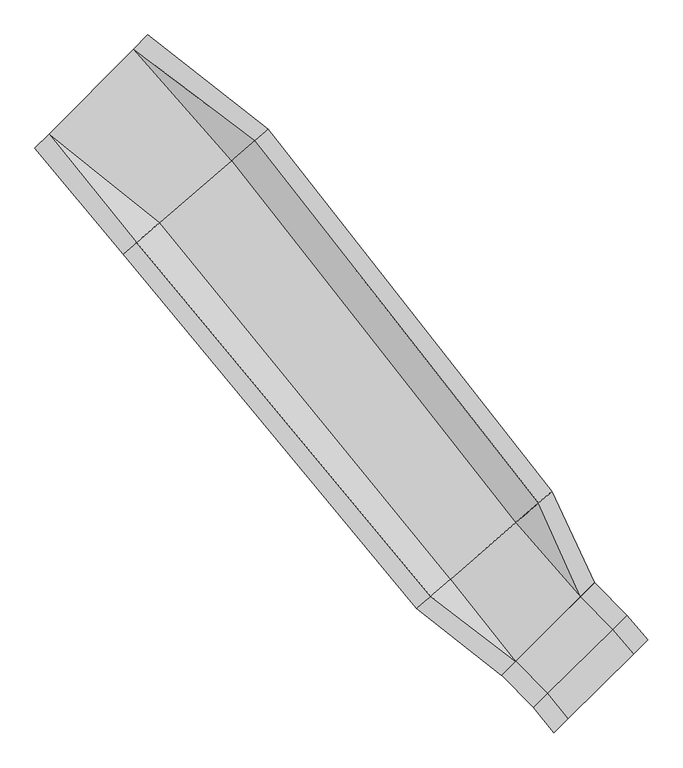
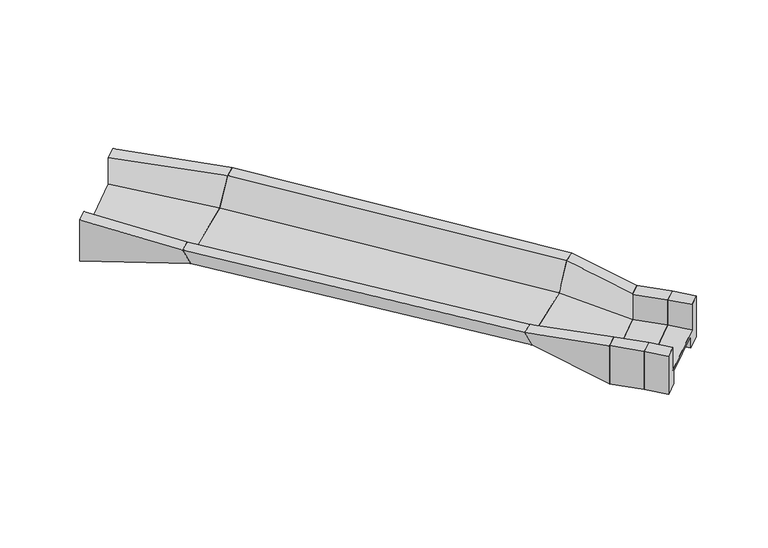
"""IFC4 building model written with IfcOpenShell, lengths in millimetres: geographic element geometry."""

from ifc_helpers import new_model, si_unit, frame, origin, place, context, project, spatial, polyline, outline, extrude, source, transform, mapped, element, save
from ifc_brep_helpers import plane_surface, spline_curve, spline_surface, advanced_brep


def geographic_element_b94822a8(model_context):
    return source(origin(), model_context, "Body", "SolidModel", [
        advanced_brep(
        [(-237472.446959, 83408.4510744, 11144.120139), (-236766.5119565, 84116.464431, 11144.1201394), (-236766.5119558, 84116.4644317, 7896.3224461), (-237684.227459, 83196.0470682, 7896.3224456), (-237684.2274592, 83196.047068, 8846.3224421), (-241495.3292908, 79373.7249128, 8846.3224421), (-241495.3292902, 79373.7249134, 7896.3224424), (-242413.0447937, 78453.3075496, 7896.3224417), (-242413.0447945, 78453.3075488, 11046.3224414), (-241707.1097919, 79161.3209055, 11046.3224419), (-241707.1097914, 79161.3209059, 9096.3224421), (-237472.4469587, 83408.4510747, 9096.3224421), (-231447.3613131, 78819.4813063, 10426.6353604), (-232583.4251726, 77838.858782, 8925.8244812), (-236189.2505729, 74726.3985301, 8925.8244812), (-237325.3144326, 73745.7760057, 10426.6353608), (-238000.6568665, 73162.8369422, 10426.635361), (-236817.8573649, 74183.8005292, 8332.5872404), (-236171.1749914, 74742.0009298, 8332.4759296), (-236041.2232812, 74854.1720662, 8675.8244812), (-232731.4524646, 77711.0852457, 8675.8244812), (-232601.5007543, 77823.2563822, 8332.4759293), (-231954.818381, 78381.4567826, 8332.5872399), (-230772.018879, 79402.42037, 10426.6353603)],
        [
            (0, 1),
            (1, 2),
            (2, 3),
            (3, 4),
            (4, 5),
            (5, 6),
            (6, 7),
            (7, 8),
            (8, 9),
            (9, 10),
            (10, 11),
            (11, 0),
            (12, 13),
            (13, 14),
            (14, 15),
            (15, 16),
            (16, 17),
            (17, 18),
            (18, 19),
            (19, 20),
            (20, 21),
            (21, 22),
            (22, 23),
            (23, 12),
            (23, 1, spline_curve(3, [(-230772.018879, 79402.42037, 10426.6353603), (-232720.231358514, 81058.731631167, 10665.796953474), (-234720.793428205, 82631.045723503, 10904.958546226), (-236766.5119565, 84116.464431, 11144.1201394)], [4, 4], [0.0, 25.049387163295506])),
            (0, 12, spline_curve(3, [(-237472.446959, 83408.4510744, 11144.120139), (-235419.032859849, 81966.044964349, 10904.958545826), (-233408.214796345, 80435.506727741, 10665.796953574), (-231447.3613131, 78819.4813063, 10426.6353604)], [4, 4], [0.0, 25.049387163295506])),
            (22, 2, spline_curve(3, [(-231954.818381, 78381.4567826, 8332.5872399), (-233483.31702075, 80348.608168613, 8187.165642272), (-235088.534593844, 82262.221884718, 8041.744043728), (-236766.5119558, 84116.4644317, 7896.3224461)], [4, 4], [0.0, 24.66797998694031])),
            (21, 3, spline_curve(3, [(-232601.5007543, 77823.2563822, 8332.4759293), (-234228.49579923, 79677.26023443, 8187.091435011), (-235924.344533506, 81469.833906407, 8041.70693989), (-237684.227459, 83196.0470682, 7896.3224456)], [4, 4], [0.0, 24.449163476912105])),
            (20, 4, spline_curve(3, [(-232731.4524646, 77711.0852457, 8675.8244812), (-234312.334427119, 79599.240453521, 8732.657135198), (-235964.747486797, 81429.31200145, 8789.489788102), (-237684.2274592, 83196.047068, 8846.3224421)], [4, 4], [0.0, 24.262863273454684])),
            (19, 5, spline_curve(3, [(-236041.2232812, 74854.1720662, 8675.8244812), (-237809.639678093, 76436.491624995, 8732.65713471), (-239629.785127799, 77944.026311954, 8789.48978859), (-241495.3292908, 79373.7249128, 8846.3224421)], [4, 4], [0.0, 23.692371858413026])),
            (18, 6, spline_curve(3, [(-236171.1749914, 74742.0009298, 8332.4759296), (-237893.478305505, 76358.471843831, 8187.091433539), (-239670.188081062, 77903.504408433, 8041.706938461), (-241495.3292902, 79373.7249134, 7896.3224424)], [4, 4], [0.0, 23.203234577010846])),
            (17, 7, spline_curve(3, [(-236817.8573649, 74183.8005292, 8332.5872404), (-238638.657084742, 75687.123909014, 8187.165640708), (-240505.998020089, 77111.116429527, 8041.744041392), (-242413.0447937, 78453.3075496, 7896.3224417)], [4, 4], [0.0, 23.15900301893808])),
            (16, 8, spline_curve(3, [(-238000.6568665, 73162.8369422, 10426.635361), (-239401.742747424, 74977.000446693, 10633.197721247), (-240873.739187371, 76742.292590363, 10839.760081153), (-242413.0447945, 78453.3075488, 11046.3224414)], [4, 4], [0.0, 22.710081353792532])),
            (15, 9, spline_curve(3, [(-237325.3144326, 73745.7760057, 10426.6353608), (-238713.759309461, 75600.225350018, 10633.197721313), (-240175.499754946, 77407.293348828, 10839.760081387), (-241707.1097919, 79161.3209055, 11046.3224419)], [4, 4], [0.0, 22.82321654932204])),
            (14, 10, spline_curve(3, [(-236189.2505729, 74726.3985301, 8925.8244812), (-237980.825247077, 76282.289892101, 8982.657134856), (-239822.28904729, 77761.543949898, 9039.489788444), (-241707.1097914, 79161.3209059, 9096.3224421)], [4, 4], [0.0, 22.950651386086406])),
            (13, 11, spline_curve(3, [(-232583.4251726, 77838.858782, 8925.8244812), (-234141.148858047, 79753.442185491, 8982.65713471), (-235772.243567354, 81611.794364047, 9039.48978859), (-237472.4469587, 83408.4510747, 9096.3224421)], [4, 4], [0.0, 23.692371858478822])),
        ],
        [
            plane_surface(frame((-239589.7783751, 81284.8859903, 9320.9553922), z_axis=(-0.7081453881455659, 0.7060666464634666, 0.0), x_axis=(0.7060666464634666, 0.7081453881455659, 4.657500235469296e-10))),
            plane_surface(frame((-234386.3378728, 76282.628656, 9186.6638089), z_axis=(0.6534200335642938, -0.756995548029734, 0.0), x_axis=(0.756995548029734, 0.6534200335642938, -1.3048997882092535e-10))),
            spline_surface(3, 3, [[(-231447.3613131, 78819.4813063, 10426.6353604), (-233408.214796677, 80435.506728082, 10665.796953269), (-235419.032860049, 81966.044964466, 10904.958546131), (-237472.446959, 83408.4510744, 11144.120139)], [(-231222.247168401, 79013.794327516, 10426.635360361), (-233178.886983979, 80643.248362376, 10665.796953295), (-235186.286382679, 82187.711884145, 10904.958546221), (-237237.135291502, 83644.4555266, 11144.120139155)], [(-230997.133023699, 79208.107348784, 10426.635360339), (-232949.559171278, 80850.989996721, 10665.796953338), (-234953.539905303, 82409.378803823, 10904.958546246), (-237001.823623998, 83880.4599788, 11144.120139245)], [(-230772.018879, 79402.42037, 10426.6353603), (-232720.231358581, 81058.731631014, 10665.796953363), (-234720.793427934, 82631.045723503, 10904.958546337), (-236766.5119565, 84116.464431, 11144.1201394)]], [4, 4], [4, 4], [0.0, 3.103590350371625], [0.0, 25.049387163295506]),
            spline_surface(3, 3, [[(-230772.018879, 79402.42037, 10426.6353603), (-232720.231358581, 81058.731631014, 10665.796953363), (-234720.793427934, 82631.045723503, 10904.958546337), (-236766.5119565, 84116.464431, 11144.1201394)], [(-231166.285379687, 79062.099174211, 9728.619320195), (-232974.593246041, 80822.023810362, 9839.586516254), (-234843.373816644, 82508.104443972, 9950.553712222), (-236766.511956268, 84116.464431233, 10061.52090828)], [(-231560.551880313, 78721.777978389, 9030.603280005), (-233228.955133441, 80585.315989675, 9013.376079058), (-234965.954205351, 82385.163164441, 8996.148878166), (-236766.511956032, 84116.464431467, 8978.92167722)], [(-231954.818381, 78381.4567826, 8332.5872399), (-233483.317020901, 80348.608169022, 8187.165641949), (-235088.534594061, 82262.221884911, 8041.744044051), (-236766.5119558, 84116.4644317, 7896.3224461)]], [4, 4], [4, 4], [0.0, 9.130038308119522], [0.0, 24.66797998694031]),
            spline_surface(3, 3, [[(-231954.818381, 78381.4567826, 8332.5872399), (-233483.317020901, 80348.608169022, 8187.165641949), (-235088.534594061, 82262.221884911, 8041.744044051), (-236766.5119558, 84116.4644317, 7896.3224461)], [(-232170.379172074, 78195.389982465, 8332.550136338), (-233731.70994707, 80124.825524281, 8187.140906183), (-235367.137907077, 81998.092558821, 8041.731676081), (-237072.417123512, 83809.658643875, 7896.322445925)], [(-232385.939963226, 78009.323182335, 8332.513032862), (-233980.102873319, 79901.042879545, 8187.116170501), (-235645.741220156, 81733.963232707, 8041.719308135), (-237378.322291288, 83502.852856025, 7896.322445775)], [(-232601.5007543, 77823.2563822, 8332.4759293), (-234228.495799489, 79677.260234804, 8187.091434736), (-235924.344533171, 81469.833906618, 8041.706940164), (-237684.227459, 83196.0470682, 7896.3224456)]], [4, 4], [4, 4], [0.0, 3.533517795671654], [0.0, 24.449163476912105]),
            spline_surface(3, 3, [[(-232601.5007543, 77823.2563822, 8332.4759293), (-234228.495799489, 79677.260234804, 8187.091434736), (-235924.344533171, 81469.833906618, 8041.706940164), (-237684.227459, 83196.0470682, 7896.3224456)], [(-232644.817991079, 77785.866003374, 8446.925446616), (-234256.44200872, 79651.253641017, 8368.946668122), (-235937.81218447, 81456.326605003, 8290.96788962), (-237684.227459076, 83196.047068124, 8212.989111126)], [(-232688.135227821, 77748.475624526, 8561.374963884), (-234284.388217914, 79625.247047207, 8550.801901459), (-235951.27983574, 81442.819303418, 8540.228838999), (-237684.227459124, 83196.047068076, 8529.655776574)], [(-232731.4524646, 77711.0852457, 8675.8244812), (-234312.334427145, 79599.24045342, 8732.657134845), (-235964.747487038, 81429.312001804, 8789.489788455), (-237684.2274592, 83196.047068, 8846.3224421)]], [4, 4], [4, 4], [0.0, 2.140242190773194], [0.0, 24.262863273454684]),
            spline_surface(3, 3, [[(-232731.4524646, 77711.0852457, 8675.8244812), (-234312.334427145, 79599.24045342, 8732.657134845), (-235964.747487038, 81429.312001804, 8789.489788455), (-237684.2274592, 83196.047068, 8846.3224421)], [(-233834.709403452, 76758.780852509, 8675.8244812), (-235478.102844199, 78544.990843811, 8732.657134845), (-237186.426700586, 80267.550105334, 8789.489788455), (-238954.594736391, 81921.939682954, 8846.3224421)], [(-234937.966342348, 75806.476459391, 8675.8244812), (-236643.871261296, 77490.741234276, 8732.657134845), (-238408.105914161, 79105.788208802, 8789.489788455), (-240224.962013609, 80647.832297846, 8846.3224421)], [(-236041.2232812, 74854.1720662, 8675.8244812), (-237809.63967835, 76436.491624666, 8732.657134845), (-239629.78512771, 77944.026312332, 8789.489788455), (-241495.3292908, 79373.7249128, 8846.3224421)]], [4, 4], [4, 4], [0.0, 16.026733889829917], [0.0, 23.692371858413026]),
            spline_surface(3, 3, [[(-236041.2232812, 74854.1720662, 8675.8244812), (-237809.63967835, 76436.491624666, 8732.657134845), (-239629.78512771, 77944.026312331, 8789.489788455), (-241495.3292908, 79373.7249128, 8846.3224421)], [(-236084.540517939, 74816.781687409, 8561.374964), (-237837.585887462, 76410.485030984, 8550.801901181), (-239643.252778816, 77930.519010897, 8540.228838326), (-241495.329290616, 79373.724912984, 8529.655775507)], [(-236127.857754661, 74779.391308591, 8446.9254468), (-237865.532096557, 76384.478437275, 8368.946667516), (-239656.720429874, 77917.011709509, 8290.967888277), (-241495.329290384, 79373.724913216, 8212.989108993)], [(-236171.1749914, 74742.0009298, 8332.4759296), (-237893.47830567, 76358.471843592, 8187.091433852), (-239670.18808098, 77903.504408075, 8041.706938148), (-241495.3292902, 79373.7249134, 7896.3224424)]], [4, 4], [4, 4], [0.0, 2.140242195138644], [0.0, 23.203234577010846]),
            spline_surface(3, 3, [[(-236171.1749914, 74742.0009298, 8332.4759296), (-237893.47830567, 76358.471843592, 8187.091433852), (-239670.18808098, 77903.504408075, 8041.706938148), (-241495.3292902, 79373.7249134, 7896.3224424)], [(-236386.735782556, 74555.934129593, 8332.5130332), (-238141.871231934, 76134.689198765, 8187.116169508), (-239948.791394103, 77639.375081884, 8041.71930586), (-241801.234458029, 79066.919125457, 7896.322442167)], [(-236602.296573744, 74369.867329407, 8332.5501368), (-238390.26415823, 75910.906553958, 8187.140905163), (-240227.394707237, 77375.245755721, 8041.73167357), (-242107.139625871, 78760.113337543, 7896.322441933)], [(-236817.8573649, 74183.8005292, 8332.5872404), (-238638.657084495, 75687.123909131, 8187.165640819), (-240505.998020359, 77111.116429531, 8041.744041281), (-242413.0447937, 78453.3075496, 7896.3224417)]], [4, 4], [4, 4], [0.0, 3.533517797026311], [0.0, 23.15900301893808]),
            spline_surface(3, 3, [[(-236817.8573649, 74183.8005292, 8332.5872404), (-238638.657084495, 75687.123909131, 8187.165640819), (-240505.998020359, 77111.116429531, 8041.744041281), (-242413.0447937, 78453.3075496, 7896.3224417)], [(-237212.123865443, 73843.479333535, 9030.603280582), (-238893.018972042, 75450.41608841, 9002.509667577), (-240628.578409372, 76988.175149721, 8974.416054616), (-242413.04479397, 78453.307549329, 8946.322441611)], [(-237606.390365957, 73503.158137865, 9728.619320818), (-239147.380859559, 75213.708267682, 9817.853694389), (-240751.158798375, 76865.233869924, 9907.088067918), (-242413.04479423, 78453.307549071, 9996.322441489)], [(-238000.6568665, 73162.8369422, 10426.635361), (-239401.742747106, 74977.000446961, 10633.197721147), (-240873.739187388, 76742.292590114, 10839.760081253), (-242413.0447945, 78453.3075488, 11046.3224414)]], [4, 4], [4, 4], [0.0, 8.976173737504185], [0.0, 22.710081353792532]),
            spline_surface(3, 3, [[(-238000.6568665, 73162.8369422, 10426.635361), (-239401.742747106, 74977.000446961, 10633.197721147), (-240873.739187388, 76742.292590114, 10839.760081253), (-242413.0447945, 78453.3075488, 11046.3224414)], [(-237775.542721862, 73357.149963364, 10426.635360961), (-239172.414934434, 75184.74208123, 10633.197721173), (-240640.992710011, 76963.959509799, 10839.760081343), (-242177.733126964, 78689.312001038, 11046.322441555)], [(-237550.428577238, 73551.462984536, 10426.635360839), (-238943.087121777, 75392.483715507, 10633.197721115), (-240408.246232642, 77185.626429469, 10839.760081468), (-241942.421459436, 78925.316453262, 11046.322441745)], [(-237325.3144326, 73745.7760057, 10426.6353608), (-238713.759309105, 75600.225349776, 10633.197721141), (-240175.499755265, 77407.293349153, 10839.760081559), (-241707.1097919, 79161.3209055, 11046.3224419)]], [4, 4], [4, 4], [0.0, 3.1035903502393203], [0.0, 22.82321654932204]),
            spline_surface(3, 3, [[(-237325.3144326, 73745.7760057, 10426.6353608), (-238713.759309105, 75600.225349776, 10633.197721141), (-240175.499755265, 77407.293349153, 10839.760081559), (-241707.1097919, 79161.3209055, 11046.3224419)], [(-236946.626479371, 74072.650180526, 9926.365067589), (-238469.447955167, 75827.580197337, 10083.017525698), (-240057.762852614, 77525.376882824, 10239.669983884), (-241707.109791745, 79161.320905655, 10396.322441993)], [(-236567.938526129, 74399.524355274, 9426.094774411), (-238225.136601217, 76054.93504482, 9532.837330288), (-239940.025949928, 77643.460416428, 9639.57988613), (-241707.109791555, 79161.320905745, 9746.322442007)], [(-236189.2505729, 74726.3985301, 8925.8244812), (-237980.825247279, 76282.289892381, 8982.657134845), (-239822.289047278, 77761.543950098, 9039.489788455), (-241707.1097914, 79161.3209059, 9096.3224421)]], [4, 4], [4, 4], [0.0, 6.172941237807495], [0.0, 22.950651386086406]),
            spline_surface(3, 3, [[(-236189.2505729, 74726.3985301, 8925.8244812), (-237980.825247279, 76282.289892381, 8982.657134845), (-239822.289047278, 77761.543950098, 9039.489788455), (-241707.1097914, 79161.3209059, 9096.3224421)], [(-234987.308772806, 75763.885280721, 8925.8244812), (-236700.93311755, 77439.340656836, 8982.657134845), (-238472.273887305, 79044.960754727, 9039.489788455), (-240295.555513809, 80577.030962167, 9096.3224421)], [(-233785.366972694, 76801.372031379, 8925.8244812), (-235421.040987803, 78596.391421327, 8982.657134845), (-237122.258727405, 80328.377559354, 9039.489788455), (-238884.001236291, 81992.741018433, 9096.3224421)], [(-232583.4251726, 77838.858782, 8925.8244812), (-234141.148858074, 79753.442185782, 8982.657134845), (-235772.243567433, 81611.794363983, 9039.489788455), (-237472.4469587, 83408.4510747, 9096.3224421)]], [4, 4], [4, 4], [0.0, 17.652356641062795], [0.0, 23.692371858478822]),
            spline_surface(3, 3, [[(-232583.4251726, 77838.858782, 8925.8244812), (-234141.148858074, 79753.442185782, 8982.657134845), (-235772.243567433, 81611.794363983, 9039.489788455), (-237472.4469587, 83408.4510747, 9096.3224421)], [(-232204.73721943, 78165.732956776, 9426.094774255), (-233896.837504271, 79980.797033224, 9543.703740975), (-235654.506664989, 81729.87789746, 9661.31270766), (-237472.446958817, 83408.451074582, 9778.92167438)], [(-231826.04926627, 78492.607131524, 9926.365067345), (-233652.52615048, 80208.15188064, 10104.750347139), (-235536.769762493, 81847.961430989, 10283.135626926), (-237472.446958883, 83408.451074518, 10461.52090672)], [(-231447.3613131, 78819.4813063, 10426.6353604), (-233408.214796677, 80435.506728082, 10665.796953269), (-235419.032860049, 81966.044964466, 10904.958546131), (-237472.446959, 83408.4510744, 11144.120139)]], [4, 4], [4, 4], [0.0, 6.32038373925925], [0.0, 24.50743243333784]),
        ],
        [
            (0, [[1, 2, 3, 4, 5, 6, 7, 8, 9, 10, 11, 12]]),
            (1, [[13, 14, 15, 16, 17, 18, 19, 20, 21, 22, 23, 24]]),
            (2, [[-24, 25, -1, 26]]),
            (3, [[-23, 27, -2, -25]]),
            (4, [[-22, 28, -3, -27]]),
            (5, [[-21, 29, -4, -28]]),
            (6, [[-20, 30, -5, -29]]),
            (7, [[-19, 31, -6, -30]]),
            (8, [[-18, 32, -7, -31]]),
            (9, [[-17, 33, -8, -32]]),
            (10, [[-16, 34, -9, -33]]),
            (11, [[-15, 35, -10, -34]]),
            (12, [[-14, 36, -11, -35]]),
            (13, [[-13, -26, -12, -36]]),
        ],
    ),
        advanced_brep(
        [(-231954.7269577, 78381.535697, 8332.5872399), (-232601.4328893, 77823.3149616, 8332.4759293), (-232731.3893337, 77711.1397388, 8675.8244812), (-236041.2807236, 74854.1224832, 8675.8244812), (-236171.2371679, 74741.9472605, 8332.4759296), (-236817.9430997, 74183.7265249, 8332.5872404), (-238000.7856902, 73162.7257447, 10426.635361), (-237325.4186539, 73745.6860444, 10426.6353608), (-236189.3134079, 74726.3442925, 8925.8244812), (-232583.3566491, 77838.9179298, 8925.8244812), (-231447.2514033, 78819.5761777, 10426.6353604), (-230771.8843668, 79402.5364776, 10426.6353603), (-217751.2386698, 60289.5846253, 7787.9409539), (-216568.3940919, 61310.5871211, 9881.9890739), (-217243.7622627, 60727.6258422, 9881.9890742), (-218379.8694176, 59746.9659462, 8381.1781946), (-221657.0312508, 56918.2000432, 8381.1781946), (-222642.7400387, 56067.3603375, 9683.311068), (-223356.2812647, 55451.4490115, 9683.3110681), (-222285.6619995, 56375.5813634, 7787.9409548), (-221638.9549811, 56933.8030369, 7787.8296439), (-221508.998319, 57045.9784476, 8131.1781946), (-218527.9023504, 59619.187541, 8131.1781946), (-218397.945688, 59731.362952, 7787.8296431)],
        [
            (0, 1),
            (1, 2),
            (2, 3),
            (3, 4),
            (4, 5),
            (5, 6),
            (6, 7),
            (7, 8),
            (8, 9),
            (9, 10),
            (10, 11),
            (11, 0),
            (12, 13),
            (13, 14),
            (14, 15),
            (15, 16),
            (16, 17),
            (17, 18),
            (18, 19),
            (19, 20),
            (20, 21),
            (21, 22),
            (22, 23),
            (23, 12),
            (23, 1),
            (0, 12),
            (22, 2),
            (21, 3),
            (20, 4),
            (19, 5),
            (18, 6),
            (17, 7),
            (16, 8),
            (15, 9),
            (14, 10),
            (13, 11),
        ],
        [
            plane_surface(frame((-234386.3350286, 76282.6311111, 9186.6638089), z_axis=(-0.6534200335642995, 0.7569955480297292, 0.0), x_axis=(0.5352762357764985, 0.4620373486443748, -0.707107375064508))),
            plane_surface(frame((-219996.5650279, 58351.4738557, 8608.9045215), z_axis=(0.6534200335643016, -0.7569955480297273, 0.0), x_axis=(-0.7569955416041901, -0.653420028017935, -0.00013029359157178027))),
            spline_surface(1, 1, [[(-217751.2386698, 60289.5846253, 7787.9409539), (-231954.7269577, 78381.535697, 8332.5872399)], [(-218397.945688, 59731.362952, 7787.8296431), (-232601.4328893, 77823.3149616, 8332.4759293)]], [2, 2], [2, 2], [0.0, 1.0], [0.0, 1.0]),
            spline_surface(1, 1, [[(-218397.945688, 59731.362952, 7787.8296431), (-232601.4328893, 77823.3149616, 8332.4759293)], [(-218527.9023504, 59619.187541, 8131.1781946), (-232731.3893337, 77711.1397388, 8675.8244812)]], [2, 2], [2, 2], [0.0, 1.0], [0.0, 1.0]),
            plane_surface(frame((-220018.4503347, 58332.5829943, 8131.1781946), z_axis=(-0.015484728300719298, 0.01793925772699949, -0.9997191636763083), x_axis=(-0.7569955480297336, -0.6534200335642942, 0.0))),
            spline_surface(1, 1, [[(-221508.998319, 57045.9784476, 8131.1781946), (-236041.2807236, 74854.1224832, 8675.8244812)], [(-221638.9549811, 56933.8030369, 7787.8296439), (-236171.2371679, 74741.9472605, 8332.4759296)]], [2, 2], [2, 2], [0.0, 1.0], [0.0, 1.0]),
            spline_surface(1, 1, [[(-221638.9549811, 56933.8030369, 7787.8296439), (-236171.2371679, 74741.9472605, 8332.4759296)], [(-222285.6619995, 56375.5813634, 7787.9409548), (-236817.9430997, 74183.7265249, 8332.5872404)]], [2, 2], [2, 2], [0.0, 1.0], [0.0, 1.0]),
            spline_surface(1, 1, [[(-222285.6619995, 56375.5813634, 7787.9409548), (-236817.9430997, 74183.7265249, 8332.5872404)], [(-223356.2812647, 55451.4490115, 9683.3110681), (-238000.7856902, 73162.7257447, 10426.635361)]], [2, 2], [2, 2], [0.0, 1.0], [0.0, 1.0]),
            spline_surface(1, 1, [[(-223356.2812647, 55451.4490115, 9683.3110681), (-238000.7856902, 73162.7257447, 10426.635361)], [(-222642.7400387, 56067.3603375, 9683.311068), (-237325.4186539, 73745.6860444, 10426.6353608)]], [2, 2], [2, 2], [0.0, 1.0], [0.0, 1.0]),
            spline_surface(1, 1, [[(-222642.7400387, 56067.3603375, 9683.311068), (-237325.4186539, 73745.6860444, 10426.6353608)], [(-221657.0312508, 56918.2000432, 8381.1781946), (-236189.3134079, 74726.3442925, 8925.8244812)]], [2, 2], [2, 2], [0.0, 1.0], [0.0, 1.0]),
            plane_surface(frame((-220018.4503342, 58332.5829947, 8381.1781946), z_axis=(0.015484728300719354, -0.017939257726999478, 0.9997191636763083), x_axis=(0.7569955480297322, 0.6534200335642958, 0.0))),
            spline_surface(1, 1, [[(-218379.8694176, 59746.9659462, 8381.1781946), (-232583.3566491, 77838.9179298, 8925.8244812)], [(-217243.7622627, 60727.6258422, 9881.9890742), (-231447.2514033, 78819.5761777, 10426.6353604)]], [2, 2], [2, 2], [0.0, 1.0], [0.0, 1.0]),
            spline_surface(1, 1, [[(-217243.7622627, 60727.6258422, 9881.9890742), (-231447.2514033, 78819.5761777, 10426.6353604)], [(-216568.3940919, 61310.5871211, 9881.9890739), (-230771.8843668, 79402.5364776, 10426.6353603)]], [2, 2], [2, 2], [0.0, 1.0], [0.0, 1.0]),
            spline_surface(1, 1, [[(-216568.3940919, 61310.5871211, 9881.9890739), (-230771.8843668, 79402.5364776, 10426.6353603)], [(-217751.2386698, 60289.5846253, 7787.9409539), (-231954.7269577, 78381.535697, 8332.5872399)]], [2, 2], [2, 2], [0.0, 1.0], [0.0, 1.0]),
        ],
        [
            (0, [[1, 2, 3, 4, 5, 6, 7, 8, 9, 10, 11, 12]]),
            (1, [[13, 14, 15, 16, 17, 18, 19, 20, 21, 22, 23, 24]]),
            (2, [[-24, 25, -1, 26]]),
            (3, [[-23, 27, -2, -25]]),
            (4, [[-22, 28, -3, -27]]),
            (5, [[-21, 29, -4, -28]]),
            (6, [[-20, 30, -5, -29]]),
            (7, [[-19, 31, -6, -30]]),
            (8, [[-18, 32, -7, -31]]),
            (9, [[-17, 33, -8, -32]]),
            (10, [[-16, 34, -9, -33]]),
            (11, [[-15, 35, -10, -34]]),
            (12, [[-14, 36, -11, -35]]),
            (13, [[-13, -26, -12, -36]]),
        ],
    ),
        advanced_brep(
        [(-218390.7532065, 52820.7747482, 9195.1869994), (-219094.2468284, 52117.2811263, 9195.1870002), (-219094.2468302, 52117.2811245, 6240.8715334), (-218179.7051214, 53031.8228332, 6240.8715326), (-218179.7051207, 53031.8228339, 7190.8715305), (-215365.7306326, 55845.797322, 7190.8715305), (-215365.7306331, 55845.7973215, 6240.8715303), (-214451.1889243, 56760.3390303, 6240.8715295), (-214451.1889226, 56760.3390321, 9388.6692227), (-215154.6825448, 56056.8454099, 9388.6692236), (-215154.6825457, 56056.845409, 7440.8715305), (-218390.7532074, 52820.7747473, 7440.8715305), (-222642.7400387, 56067.3603375, 9683.311068), (-221657.0312508, 56918.2000432, 8381.1781946), (-218379.8694176, 59746.9659462, 8381.1781946), (-217243.7622627, 60727.6258422, 9881.9890742), (-216568.3940919, 61310.5871211, 9881.9890739), (-217751.2386698, 60289.5846253, 7787.9409539), (-218397.945688, 59731.362952, 7787.8296431), (-218527.9023504, 59619.187541, 8131.1781946), (-221508.998319, 57045.9784476, 8131.1781946), (-221638.9549811, 56933.8030369, 7787.8296439), (-222285.6619995, 56375.5813634, 7787.9409548), (-223356.2812647, 55451.4490115, 9683.3110681)],
        [
            (0, 1),
            (1, 2),
            (2, 3),
            (3, 4),
            (4, 5),
            (5, 6),
            (6, 7),
            (7, 8),
            (8, 9),
            (9, 10),
            (10, 11),
            (11, 0),
            (12, 13),
            (13, 14),
            (14, 15),
            (15, 16),
            (16, 17),
            (17, 18),
            (18, 19),
            (19, 20),
            (20, 21),
            (21, 22),
            (22, 23),
            (23, 12),
            (23, 1, spline_curve(3, [(-223356.2812647, 55451.4490115, 9683.3110681), (-221970.067838612, 54280.67997485, 9520.603045545), (-220547.744139607, 53168.641933706, 9357.895022755), (-219094.2468284, 52117.2811263, 9195.1870002)], [4, 4], [0.0, 17.72836514772439])),
            (0, 12, spline_curve(3, [(-218390.7532065, 52820.7747482, 9195.1869994), (-219839.386536853, 53842.619998769, 9357.895022546), (-221258.380906237, 54925.416539968, 9520.603044854), (-222642.7400387, 56067.3603375, 9683.311068)], [4, 4], [0.0, 17.72836514772439])),
            (22, 2, spline_curve(3, [(-222285.6619995, 56375.5813634, 7787.9409548), (-221278.902707712, 54922.928641308, 7272.251147398), (-220214.3902899, 53501.995783135, 6756.561340802), (-219094.2468302, 52117.2811245, 6240.8715334)], [4, 4], [0.0, 17.77309784830311])),
            (21, 3, spline_curve(3, [(-221638.9549811, 56933.8030369, 7787.8296439), (-220535.04952789, 55592.580473726, 7272.176940388), (-219380.986895626, 54290.705778715, 6756.524236112), (-218179.7051214, 53031.8228332, 6240.8715326)], [4, 4], [0.0, 18.00269400137438])),
            (20, 4, spline_curve(3, [(-221508.998319, 57045.9784476, 8131.1781946), (-220451.152743707, 55670.539554136, 7817.742639991), (-219340.522880213, 54331.169793563, 7504.307085109), (-218179.7051207, 53031.8228339, 7190.8715305)], [4, 4], [0.0, 17.58992317437844])),
            (19, 5, spline_curve(3, [(-218527.9023504, 59619.187541, 8131.1781946), (-217522.461479038, 58325.629883342, 7817.7426398), (-216467.570522402, 57066.604002494, 7504.3070853), (-215365.7306326, 55845.797322, 7190.8715305)], [4, 4], [0.0, 16.917991507124952])),
            (18, 6, spline_curve(3, [(-218397.945688, 59731.362952, 7787.8296431), (-217438.564695031, 58403.588963359, 7272.176938699), (-216427.106507592, 57107.068017302, 6756.524234701), (-215365.7306331, 55845.7973215, 6240.8715303)], [4, 4], [0.0, 16.669000783665297])),
            (17, 7, spline_curve(3, [(-217751.2386698, 60289.5846253, 7787.9409539), (-216694.711515342, 59073.240795927, 7272.251145921), (-215593.703113432, 57895.778013031, 6756.561337479), (-214451.1889243, 56760.3390303, 6240.8715295)], [4, 4], [0.0, 16.784231303014735])),
            (16, 8, spline_curve(3, [(-216568.3940919, 61310.5871211, 9881.9890739), (-215931.096516491, 59782.811769231, 9717.549123473), (-215225.406176559, 58264.07494967, 9553.109173127), (-214451.1889226, 56760.3390321, 9388.6692227)], [4, 4], [0.0, 16.307711713327535])),
            (15, 9, spline_curve(3, [(-217243.7622627, 60727.6258422, 9881.9890742), (-216618.139875801, 59160.974655442, 9717.549123991), (-215921.878008582, 57601.982655225, 9553.109173809), (-215154.6825448, 56056.8454099, 9388.6692236)], [4, 4], [0.0, 16.708336046033878])),
            (14, 10, spline_curve(3, [(-218379.8694176, 59746.9659462, 8381.1781946), (-217351.582358157, 58479.440771223, 8067.742639832), (-216275.622525807, 57248.238137775, 7754.307085268), (-215154.6825457, 56056.845409, 7440.8715305)], [4, 4], [0.0, 16.42407662833557])),
            (13, 11, spline_curve(3, [(-221657.0312508, 56918.2000432, 8381.1781946), (-220622.031864139, 55516.728666846, 8067.7426398), (-219532.4708762, 54149.53565944, 7754.3070853), (-218390.7532074, 52820.7747473, 7440.8715305)], [4, 4], [0.0, 16.917991507099373])),
        ],
        [
            plane_surface(frame((-216772.7178765, 54438.8100782, 7616.2237245), z_axis=(0.70710678118654, -0.7071067811865551, 0.0), x_axis=(-4.830934054343929e-10, -4.83097852989221e-10, -1.0))),
            plane_surface(frame((-219996.5650279, 58351.4738557, 8608.9045215), z_axis=(-0.6534200335636403, 0.7569955480302981, 0.0), x_axis=(-0.7569955480302981, -0.6534200335636403, 1.852576204431293e-10))),
            spline_surface(3, 3, [[(-222642.7400387, 56067.3603375, 9683.311068), (-221258.380906102, 54925.416539756, 9520.603045135), (-219839.38653694, 53842.619998492, 9357.895022265), (-218390.7532065, 52820.7747482, 9195.1869994)], [(-222880.587114019, 55862.056562144, 9683.311068058), (-221495.609883625, 54710.504351398, 9520.603045265), (-220075.505737736, 53617.96064347, 9357.895022465), (-218625.251080467, 52586.276874233, 9195.186999672)], [(-223118.434189381, 55656.752786856, 9683.311068042), (-221732.838861191, 54495.592163108, 9520.603045319), (-220311.624938532, 53393.301288447, 9357.895022651), (-218859.748954433, 52351.779000267, 9195.186999928)], [(-223356.2812647, 55451.4490115, 9683.3110681), (-221970.067838714, 54280.67997475, 9520.603045449), (-220547.744139329, 53168.641933424, 9357.895022851), (-219094.2468284, 52117.2811263, 9195.1870002)]], [4, 4], [4, 4], [0.0, 3.178291348742428], [0.0, 17.72836514772439]),
            spline_surface(3, 3, [[(-223356.2812647, 55451.4490115, 9683.3110681), (-221970.067838714, 54280.67997475, 9520.603045449), (-220547.744139329, 53168.641933424, 9357.895022851), (-219094.2468284, 52117.2811263, 9195.1870002)], [(-222999.408176308, 55759.493128803, 9051.521030329), (-221739.679461765, 54494.762863639, 8771.152412851), (-220436.626189542, 53279.75988324, 8490.783795428), (-219094.246828999, 52117.281125701, 8210.415177951)], [(-222642.535087892, 56067.537246097, 8419.730992571), (-221509.291084792, 54708.845752521, 8021.701780268), (-220325.508239757, 53390.877833054, 7623.672567953), (-219094.246829601, 52117.281125099, 7225.643355649)], [(-222285.6619995, 56375.5813634, 7787.9409548), (-221278.902707842, 54922.92864141, 7272.251147671), (-220214.390289971, 53501.99578287, 6756.561340529), (-219094.2468302, 52117.2811245, 6240.8715334)]], [4, 4], [4, 4], [0.0, 8.286913222530824], [0.0, 17.77309784830311]),
            spline_surface(3, 3, [[(-222285.6619995, 56375.5813634, 7787.9409548), (-221278.902707842, 54922.92864141, 7272.251147671), (-220214.390289971, 53501.99578287, 6756.561340529), (-219094.2468302, 52117.2811245, 6240.8715334)], [(-222070.092993379, 56561.655254563, 7787.903851161), (-221030.951647938, 55146.145918871, 7272.226411814), (-219936.589158522, 53764.899114809, 6756.548972455), (-218789.399593954, 52422.128360746, 6240.871533109)], [(-221854.523987221, 56747.729145737, 7787.866747539), (-220783.000587997, 55369.363196345, 7272.201675975), (-219658.788027012, 54027.802446709, 6756.536604455), (-218484.552357646, 52726.975596954, 6240.871532891)], [(-221638.9549811, 56933.8030369, 7787.8296439), (-220535.049528093, 55592.580473806, 7272.176940119), (-219380.986895563, 54290.705778648, 6756.524236381), (-218179.7051214, 53031.8228332, 6240.8715326)]], [4, 4], [4, 4], [0.0, 3.5230719942059565], [0.0, 18.00269400137438]),
            spline_surface(3, 3, [[(-221638.9549811, 56933.8030369, 7787.8296439), (-220535.049528093, 55592.580473806, 7272.176940119), (-219380.986895563, 54290.705778648, 6756.524236381), (-218179.7051214, 53031.8228332, 6240.8715326)], [(-221595.636093735, 56971.194840471, 7902.279160809), (-220507.08393328, 55618.566833902, 7454.032173382), (-219367.498890494, 54304.193783706, 7005.785185999), (-218179.705121173, 53031.822833427, 6557.538198572)], [(-221552.317206365, 57008.586644029, 8016.728677691), (-220479.118338463, 55644.553193986, 7635.887406619), (-219354.010885408, 54317.681788781, 7255.0461356), (-218179.705120927, 53031.822833673, 6874.204864528)], [(-221508.998319, 57045.9784476, 8131.1781946), (-220451.15274365, 55670.539554082, 7817.742639882), (-219340.522880339, 54331.169793839, 7504.307085218), (-218179.7051207, 53031.8228339, 7190.8715305)]], [4, 4], [4, 4], [0.0, 2.1402436032501564], [0.0, 17.58992317437844]),
            spline_surface(3, 3, [[(-221508.998319, 57045.9784476, 8131.1781946), (-220451.15274365, 55670.539554082, 7817.742639882), (-219340.522880339, 54331.169793839, 7504.307085218), (-218179.7051207, 53031.8228339, 7190.8715305)], [(-220515.299662778, 57903.714812088, 8131.1781946), (-219474.922322178, 56555.569663901, 7817.742639882), (-218382.872094282, 55242.981196794, 7504.307085218), (-217241.713624671, 53969.814329929, 7190.8715305)], [(-219521.601006622, 58761.451176512, 8131.1781946), (-218498.691900773, 57440.599773657, 7817.742639882), (-217425.221308214, 56154.792599761, 7504.307085218), (-216303.722128629, 54907.805825971, 7190.8715305)], [(-218527.9023504, 59619.187541, 8131.1781946), (-217522.4614793, 58325.629883477, 7817.742639882), (-216467.570522157, 57066.604002717, 7504.307085218), (-215365.7306326, 55845.797322, 7190.8715305)]], [4, 4], [4, 4], [0.0, 12.98822676945067], [0.0, 16.917991507124952]),
            spline_surface(3, 3, [[(-218527.9023504, 59619.187541, 8131.1781946), (-217522.4614793, 58325.629883477, 7817.742639882), (-216467.570522157, 57066.604002717, 7504.307085218), (-215365.7306326, 55845.797322, 7190.8715305)], [(-218484.583462947, 59656.579344646, 8016.72867742), (-217494.495884567, 58351.616243508, 7635.887406192), (-216454.082517325, 57080.092007556, 7255.046135018), (-215365.730632754, 55845.797321846, 6874.204863791)], [(-218441.264575453, 59693.971148354, 7902.27916028), (-217466.530289792, 58377.602603599, 7454.032172543), (-216440.594512529, 57093.580012359, 7005.785184746), (-215365.730632946, 55845.797321654, 6557.538197009)], [(-218397.945688, 59731.362952, 7787.8296431), (-217438.564695059, 58403.58896363, 7272.176938853), (-216427.106507698, 57107.068017198, 6756.524234547), (-215365.7306331, 55845.7973215, 6240.8715303)]], [4, 4], [4, 4], [0.0, 2.14024360789699], [0.0, 16.669000783665297]),
            spline_surface(3, 3, [[(-218397.945688, 59731.362952, 7787.8296431), (-217438.564695059, 58403.58896363, 7272.176938853), (-216427.106507698, 57107.068017198, 6756.524234547), (-215365.7306331, 55845.7973215, 6240.8715303)], [(-218182.376681943, 59917.436843108, 7787.8667467), (-217190.613635189, 58626.806241059, 7272.20167449), (-216149.305376255, 57369.97134913, 6756.536602219), (-215060.883396834, 56150.644557766, 6240.871530009)], [(-217966.807675857, 60103.510734192, 7787.9038503), (-216942.662575291, 58850.023518466, 7272.226410125), (-215871.50424481, 57632.874681064, 6756.548969965), (-214756.036160566, 56455.491794034, 6240.871529791)], [(-217751.2386698, 60289.5846253, 7787.9409539), (-216694.711515421, 59073.240795895, 7272.251145762), (-215593.703113368, 57895.778012996, 6756.561337638), (-214451.1889243, 56760.3390303, 6240.8715295)]], [4, 4], [4, 4], [0.0, 3.5230719939288706], [0.0, 16.784231303014735]),
            spline_surface(3, 3, [[(-217751.2386698, 60289.5846253, 7787.9409539), (-216694.711515421, 59073.240795895, 7272.251145762), (-215593.703113368, 57895.778012996, 6756.561337638), (-214451.1889243, 56760.3390303, 6240.8715295)], [(-217356.957143814, 60629.918790558, 8485.956993908), (-216440.17318248, 59309.764453746, 8087.350471686), (-215470.937467716, 58018.543658619, 7688.743949477), (-214451.188923722, 56760.339030878, 7290.137427255)], [(-216962.675617886, 60970.252955842, 9183.973033892), (-216185.634849596, 59546.288111622, 8902.449797586), (-215348.171822098, 58141.309304309, 8620.926561251), (-214451.188923178, 56760.339031522, 8339.403324945)], [(-216568.3940919, 61310.5871211, 9881.9890739), (-215931.096516655, 59782.811769473, 9717.549123509), (-215225.406176446, 58264.074949933, 9553.109173091), (-214451.1889226, 56760.3390321, 9388.6692227)]], [4, 4], [4, 4], [0.0, 8.9727394166518], [0.0, 16.307711713327535]),
            spline_surface(3, 3, [[(-216568.3940919, 61310.5871211, 9881.9890739), (-215931.096516655, 59782.811769473, 9717.549123509), (-215225.406176446, 58264.074949933, 9553.109173091), (-214451.1889226, 56760.3390321, 9388.6692227)], [(-216793.516815492, 61116.266694793, 9881.989073997), (-216160.110969664, 59575.532731548, 9717.549123671), (-215457.563453789, 58043.377518368, 9553.109173317), (-214685.686796659, 56525.841158041, 9388.669222991)], [(-217018.639539108, 60921.946268507, 9881.989074103), (-216389.125422696, 59368.253693644, 9717.549123842), (-215689.720731155, 57822.68008678, 9553.10917357), (-214920.184670741, 56291.343283959, 9388.669223309)], [(-217243.7622627, 60727.6258422, 9881.9890742), (-216618.139875705, 59160.974655719, 9717.549124003), (-215921.878008498, 57601.982655215, 9553.109173797), (-215154.6825448, 56056.8454099, 9388.6692236)]], [4, 4], [4, 4], [0.0, 3.0955698107558876], [0.0, 16.708336046033878]),
            spline_surface(3, 3, [[(-217243.7622627, 60727.6258422, 9881.9890742), (-216618.139875705, 59160.974655719, 9717.549124003), (-215921.878008498, 57601.982655215, 9553.109173797), (-215154.6825448, 56056.8454099, 9388.6692236)], [(-217622.464647693, 60400.739210229, 9381.718781009), (-216862.62070316, 58933.796694281, 9167.613629305), (-216039.792847702, 57484.067816026, 8953.508477591), (-215154.682545114, 56056.845409586, 8739.403325887)], [(-218001.167032607, 60073.852578171, 8881.448487791), (-217107.101530535, 58706.618732757, 8617.678134581), (-216157.707686865, 57366.152976878, 8353.907781423), (-215154.682545386, 56056.845409314, 8090.137428213)], [(-218379.8694176, 59746.9659462, 8381.1781946), (-217351.582357989, 58479.440771319, 8067.742639882), (-216275.622526069, 57248.23813769, 7754.307085218), (-215154.6825457, 56056.845409, 7440.8715305)]], [4, 4], [4, 4], [0.0, 6.169665885462083], [0.0, 16.42407662833557]),
            spline_surface(3, 3, [[(-218379.8694176, 59746.9659462, 8381.1781946), (-217351.582357989, 58479.440771319, 8067.742639882), (-216275.622526069, 57248.23813769, 7754.307085218), (-215154.6825457, 56056.845409, 7440.8715305)], [(-219472.256695331, 58804.043978513, 8381.1781946), (-218441.732193387, 57491.87006982, 8067.742639882), (-217361.23864272, 56215.337311612, 7754.307085218), (-216233.372766266, 54978.155188434, 7440.8715305)], [(-220564.643973069, 57861.122010887, 8381.1781946), (-219531.882028792, 56504.299368382, 8067.742639882), (-218446.854759374, 55182.436485531, 7754.307085218), (-217312.062986834, 53899.464967866, 7440.8715305)], [(-221657.0312508, 56918.2000432, 8381.1781946), (-220622.031864189, 55516.728666882, 8067.742639882), (-219532.470876025, 54149.535659453, 7754.307085218), (-218390.7532074, 52820.7747473, 7440.8715305)]], [4, 4], [4, 4], [0.0, 14.609028179439433], [0.0, 16.917991507099373]),
            spline_surface(3, 3, [[(-221657.0312508, 56918.2000432, 8381.1781946), (-220622.031864189, 55516.728666882, 8067.742639882), (-219532.470876025, 54149.535659453, 7754.307085218), (-218390.7532074, 52820.7747473, 7440.8715305)], [(-221985.600846761, 56634.586807985, 8815.22248571), (-220834.148211487, 55319.624624524, 8552.02944161), (-219634.776096318, 54047.230439145, 8288.836397563), (-218390.753207088, 52820.774747612, 8025.643353463)], [(-222314.170442739, 56350.973572715, 9249.26677689), (-221046.264558803, 55122.520582113, 9036.316243408), (-219737.081316648, 53944.9252188, 8823.365709919), (-218390.753206812, 52820.774747888, 8610.415176437)], [(-222642.7400387, 56067.3603375, 9683.311068), (-221258.380906102, 54925.416539756, 9520.603045135), (-219839.38653694, 53842.619998492, 9357.895022265), (-218390.7532065, 52820.7747482, 9195.1869994)]], [4, 4], [4, 4], [0.0, 5.449905209406501], [0.0, 17.40258650807789]),
        ],
        [
            (0, [[1, 2, 3, 4, 5, 6, 7, 8, 9, 10, 11, 12]]),
            (1, [[13, 14, 15, 16, 17, 18, 19, 20, 21, 22, 23, 24]]),
            (2, [[-24, 25, -1, 26]]),
            (3, [[-23, 27, -2, -25]]),
            (4, [[-22, 28, -3, -27]]),
            (5, [[-21, 29, -4, -28]]),
            (6, [[-20, 30, -5, -29]]),
            (7, [[-19, 31, -6, -30]]),
            (8, [[-18, 32, -7, -31]]),
            (9, [[-17, 33, -8, -32]]),
            (10, [[-16, 34, -9, -33]]),
            (11, [[-15, 35, -10, -34]]),
            (12, [[-14, 36, -11, -35]]),
            (13, [[-13, -26, -12, -36]]),
        ],
    ),
        extrude(outline(polyline([(9388.6692227, 3283.222881), (9388.6692236, 2288.3068568), (7440.8715305, 2288.3068553), (7440.8715305, -2288.3068559), (9195.1869994, -2288.3068545), (9195.1870002, -3283.2228785), (6240.8715334, -3283.222881), (6240.8715326, -1989.8320495), (7190.8715305, -1989.8320486), (7190.8715305, 1989.8320476), (6240.8715303, 1989.8320471), (6240.8715295, 3283.2228786), (9388.6692227, 3283.222881)])), frame((-215169.4245879, 52812.2554847, 0.0), z_axis=(-0.7019958726059548, 0.7121810126956519, 0.0), x_axis=(0.0, 0.0, 1.0)), (0.0, 0.0, 1.0), 2283.8473396),
        advanced_brep(
        [(-212831.1149485, 55117.1241719, 9388.6692227), (-212831.1149502, 55117.1241701, 6240.8715295), (-213752.2672321, 54209.1455967, 6240.8715303), (-213752.2672317, 54209.1455971, 7190.8715305), (-216586.5819448, 51415.3653716, 7190.8715305), (-216586.5819454, 51415.365371, 6240.8715326), (-217507.7342273, 50507.3867975, 6240.8715334), (-217507.7342255, 50507.3867993, 9195.1870002), (-216799.1555473, 51205.8318556, 9195.1869994), (-216799.1555483, 51205.8318547, 7440.8715305), (-213539.6936278, 54418.6791144, 7440.8715305), (-213539.6936269, 54418.6791153, 9388.6692236), (-211785.0586876, 53881.9003255, 9403.0904243), (-212496.4952057, 53180.6383003, 9403.0904246), (-212496.4952062, 53180.6382998, 7455.2927314), (-215769.1031887, 49954.8329843, 7455.2927314), (-215769.1031881, 49954.8329848, 9209.6081986), (-216480.5397061, 49253.5709597, 9209.608199), (-216480.5397069, 49253.5709589, 6255.2927323), (-215555.6722336, 50165.2115916, 6255.2927319), (-215555.6722335, 50165.2115917, 7205.2927314), (-212709.9261617, 52970.2596922, 7205.2927314), (-212709.9261618, 52970.2596921, 6255.2927314), (-211785.0586885, 53881.9003247, 6255.2927311)],
        [
            (0, 1),
            (1, 2),
            (2, 3),
            (3, 4),
            (4, 5),
            (5, 6),
            (6, 7),
            (7, 8),
            (8, 9),
            (9, 10),
            (10, 11),
            (11, 0),
            (12, 13),
            (13, 14),
            (14, 15),
            (15, 16),
            (16, 17),
            (17, 18),
            (18, 19),
            (19, 20),
            (20, 21),
            (21, 22),
            (22, 23),
            (23, 12),
            (23, 1),
            (0, 12),
            (22, 2),
            (21, 3),
            (20, 4),
            (19, 5),
            (18, 6),
            (17, 7),
            (16, 8),
            (15, 9),
            (14, 10),
            (13, 11),
        ],
        [
            plane_surface(frame((-215169.424588, 52812.2554846, 7616.2237245), z_axis=(-0.7019958726059538, 0.7121810126956528, 0.0), x_axis=(0.7121810126956528, 0.7019958726059538, -8.190502241573632e-10))),
            plane_surface(frame((-214132.7991974, 51567.7356421, 7630.6449249), z_axis=(0.7019958726059726, -0.7121810126956343, 0.0), x_axis=(-2.6266798986324965e-10, -2.5891421908884693e-10, -1.0))),
            spline_surface(1, 1, [[(-211785.0586876, 53881.9003255, 9403.0904243), (-212831.1149485, 55117.1241719, 9388.6692227)], [(-211785.0586885, 53881.9003247, 6255.2927311), (-212831.1149502, 55117.1241701, 6240.8715295)]], [2, 2], [2, 2], [0.0, 1.0], [0.0, 1.0]),
            spline_surface(1, 1, [[(-211785.0586885, 53881.9003247, 6255.2927311), (-212831.1149502, 55117.1241701, 6240.8715295)], [(-212709.9261618, 52970.2596921, 6255.2927314), (-213752.2672321, 54209.1455967, 6240.8715303)]], [2, 2], [2, 2], [0.0, 1.0], [0.0, 1.0]),
            spline_surface(1, 1, [[(-212709.9261618, 52970.2596921, 6255.2927314), (-213752.2672321, 54209.1455967, 6240.8715303)], [(-212709.9261617, 52970.2596922, 7205.2927314), (-213752.2672317, 54209.1455971, 7190.8715305)]], [2, 2], [2, 2], [0.0, 1.0], [0.0, 1.0]),
            plane_surface(frame((-214132.7991976, 51567.7356419, 7205.2927314), z_axis=(0.006272013850567014, -0.006363013445016634, -0.999960086154521), x_axis=(-0.7121810126956443, -0.7019958726059625, 0.0))),
            spline_surface(1, 1, [[(-215555.6722335, 50165.2115917, 7205.2927314), (-216586.5819448, 51415.3653716, 7190.8715305)], [(-215555.6722336, 50165.2115916, 6255.2927319), (-216586.5819454, 51415.365371, 6240.8715326)]], [2, 2], [2, 2], [0.0, 1.0], [0.0, 1.0]),
            spline_surface(1, 1, [[(-215555.6722336, 50165.2115916, 6255.2927319), (-216586.5819454, 51415.365371, 6240.8715326)], [(-216480.5397069, 49253.5709589, 6255.2927323), (-217507.7342273, 50507.3867975, 6240.8715334)]], [2, 2], [2, 2], [0.0, 1.0], [0.0, 1.0]),
            spline_surface(1, 1, [[(-216480.5397069, 49253.5709589, 6255.2927323), (-217507.7342273, 50507.3867975, 6240.8715334)], [(-216480.5397061, 49253.5709597, 9209.608199), (-217507.7342255, 50507.3867993, 9195.1870002)]], [2, 2], [2, 2], [0.0, 1.0], [0.0, 1.0]),
            spline_surface(1, 1, [[(-216480.5397061, 49253.5709597, 9209.608199), (-217507.7342255, 50507.3867993, 9195.1870002)], [(-215769.1031881, 49954.8329848, 9209.6081986), (-216799.1555473, 51205.8318556, 9195.1869994)]], [2, 2], [2, 2], [0.0, 1.0], [0.0, 1.0]),
            spline_surface(1, 1, [[(-215769.1031881, 49954.8329848, 9209.6081986), (-216799.1555473, 51205.8318556, 9195.1869994)], [(-215769.1031887, 49954.8329843, 7455.2927314), (-216799.1555483, 51205.8318547, 7440.8715305)]], [2, 2], [2, 2], [0.0, 1.0], [0.0, 1.0]),
            plane_surface(frame((-214132.7991975, 51567.735642, 7455.2927314), z_axis=(-0.00627201385056837, 0.006363013445018009, 0.999960086154521), x_axis=(0.7121810126956443, 0.7019958726059625, 0.0))),
            spline_surface(1, 1, [[(-212496.4952062, 53180.6382998, 7455.2927314), (-213539.6936278, 54418.6791144, 7440.8715305)], [(-212496.4952057, 53180.6383003, 9403.0904246), (-213539.6936269, 54418.6791153, 9388.6692236)]], [2, 2], [2, 2], [0.0, 1.0], [0.0, 1.0]),
            spline_surface(1, 1, [[(-212496.4952057, 53180.6383003, 9403.0904246), (-213539.6936269, 54418.6791153, 9388.6692236)], [(-211785.0586876, 53881.9003255, 9403.0904243), (-212831.1149485, 55117.1241719, 9388.6692227)]], [2, 2], [2, 2], [0.0, 1.0], [0.0, 1.0]),
        ],
        [
            (0, [[1, 2, 3, 4, 5, 6, 7, 8, 9, 10, 11, 12]]),
            (1, [[13, 14, 15, 16, 17, 18, 19, 20, 21, 22, 23, 24]]),
            (2, [[-24, 25, -1, 26]]),
            (3, [[-23, 27, -2, -25]]),
            (4, [[-22, 28, -3, -27]]),
            (5, [[-21, 29, -4, -28]]),
            (6, [[-20, 30, -5, -29]]),
            (7, [[-19, 31, -6, -30]]),
            (8, [[-18, 32, -7, -31]]),
            (9, [[-17, 33, -8, -32]]),
            (10, [[-16, 34, -9, -33]]),
            (11, [[-15, 35, -10, -34]]),
            (12, [[-14, 36, -11, -35]]),
            (13, [[-13, -26, -12, -36]]),
        ],
    ),
    ])


if __name__ == "__main__":
    model = new_model("IFC4")
    model_context = context("Model", 3, world=origin())
    ifc_project = project(units=[si_unit("LENGTHUNIT", "METRE", prefix="MILLI")], contexts=[model_context])
    site = spatial("IfcSite", under=ifc_project)
    building = spatial("IfcBuilding", under=site)
    placement = place(None, origin())
    geographic_element_shape = geographic_element_b94822a8(model_context)
    element("IfcGeographicElement", 1, at=placement, inside=building, context=model_context, shape_type="MappedRepresentation", body=[
        mapped(geographic_element_shape, transform((0.0, 0.0, 0.0), x_axis=(1.0, 0.0, 0.0), y_axis=(0.0, 1.0, 0.0), z_axis=(0.0, 0.0, 1.0))),
    ])
    save(model, "model.ifc")
